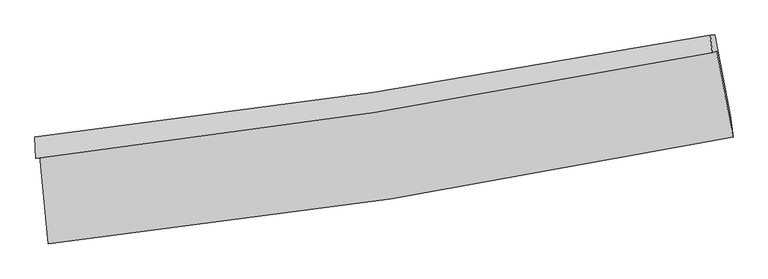
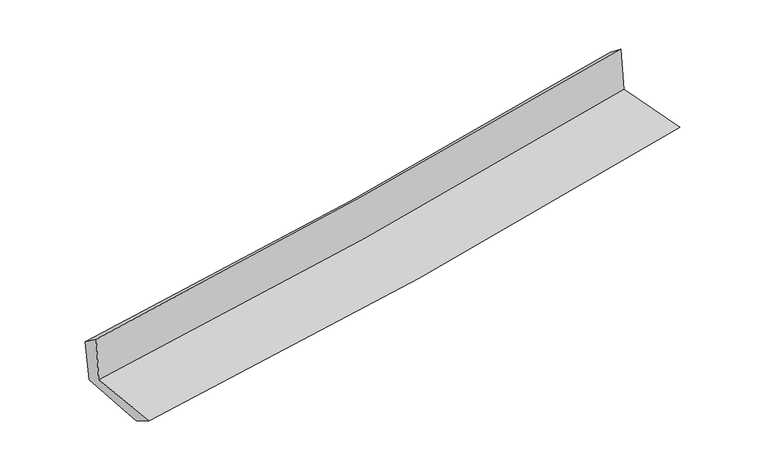
"""IFC4 building model written with IfcOpenShell, lengths in millimetres: proxy geometry."""

from ifc_helpers import new_model, si_unit, frame, origin, place, context, project, spatial, source, transform, mapped, element, save
from ifc_brep_helpers import plane_surface, spline_curve, spline_surface, advanced_brep


def generic_models_8d4c7cd3(model_context):
    return source(origin(), model_context, "Body", "AdvancedBrep", [
        advanced_brep(
        [(-2573.377145, -1879.0304998, 1656.8497497), (-2509.2770756, -2544.945491, 1657.7884913), (2654.6352234, -1738.7759814, 2104.6675379), (2531.2520104, -1089.057875, 2107.727582), (-2606.0279027, -1898.9468247, 2061.125356), (2498.4944785, -1101.3818655, 2500.1614649), (-2611.0922232, -1739.9665513, 1941.1643022), (2482.5893082, -971.0326817, 2401.8246868), (-2579.414219, -1746.1994296, 1577.7368389), (2514.6247101, -966.7040555, 2034.4078386), (-2517.6734719, -2356.4029023, 1543.4744345), (2632.7095327, -1571.0743507, 1994.5096911)],
        [
            (0, 1),
            (1, 2, spline_curve(3, [(-2509.2770756, -2544.945491, 1657.7884913), (-1645.719523723, -2451.779065666, 1730.874963485), (-785.170536335, -2338.333769092, 1804.520487494), (936.177700479, -2069.908101206, 1953.471968142), (1796.93281271, -1914.630228056, 2028.786126344), (2654.6352234, -1738.7759814, 2104.6675379)], [4, 2, 4], [0.0, 8.526331599570346, 17.11497845601537])),
            (2, 3),
            (3, 0, spline_curve(3, [(2531.2520104, -1089.057875, 2107.727582), (1682.822191148, -1252.46995136, 2027.75760895), (831.662796353, -1400.189803213, 1950.070950055), (-869.919720956, -1663.28712647, 1799.811352207), (-1720.303377763, -1778.891482916, 1727.205400442), (-2573.377145, -1879.0304998, 1656.8497497)], [4, 2, 4], [0.0, 8.588646856445022, 17.11497845601537])),
            (4, 0),
            (3, 5),
            (5, 4, spline_curve(3, [(2498.4944785, -1101.3818655, 2500.1614649), (1649.668612267, -1268.859924227, 2432.69751124), (798.320877506, -1419.242675255, 2362.235104489), (-903.22304523, -1684.850490183, 2215.846381803), (-1753.382770905, -1800.322725411, 2139.963419165), (-2606.0279027, -1898.9468247, 2061.125356)], [4, 2, 4], [0.0, 8.538443234367103, 17.014935466166186])),
            (6, 4),
            (5, 7),
            (7, 6, spline_curve(3, [(2482.5893082, -971.0326817, 2401.8246868), (1635.798967672, -1131.026587616, 2320.567620889), (786.375285043, -1275.277557188, 2241.418598976), (-911.556632797, -1531.361228845, 2087.895616397), (-1760.026793891, -1643.421549248, 2013.491176961), (-2611.0922232, -1739.9665513, 1941.1643022)], [4, 2, 4], [0.0, 8.527636677561397, 16.993400759942404])),
            (8, 6),
            (7, 9),
            (9, 8, spline_curve(3, [(2514.6247101, -966.7040555, 2034.4078386), (1667.987633857, -1131.854521657, 1958.516486035), (818.610303661, -1279.560929991, 1882.375426403), (-879.442292229, -1539.140507725, 1730.148149336), (-1728.077938512, -1651.265890517, 1654.065542523), (-2579.414219, -1746.1994296, 1577.7368389)], [4, 2, 4], [0.0, 8.518222880230988, 16.97464146744939])),
            (10, 8),
            (9, 11),
            (11, 10, spline_curve(3, [(2632.7095327, -1571.0743507, 1994.5096911), (1775.722025898, -1736.627553038, 1923.008755566), (916.458730187, -1885.024240353, 1849.527983343), (-800.368508897, -2146.552368136, 1699.154272602), (-1657.8995482, -2259.931864518, 1622.28995937), (-2517.6734719, -2356.4029023, 1543.4744345)], [4, 2, 4], [0.0, 8.565659119126375, 17.06916976978839])),
            (1, 10),
            (11, 2),
        ],
        [
            spline_surface(3, 3, [[(-2573.377145, -1879.0304998, 1656.8497497), (-1720.303377714, -1778.891482869, 1727.205400491), (-869.919720903, -1663.287126482, 1799.811352326), (831.6627963, -1400.189803201, 1950.070949936), (1682.822191265, -1252.469951331, 2027.757608886), (2531.2520104, -1089.057875, 2107.727582)], [(-2552.010455196, -2101.002163524, 1657.162663571), (-1695.442093088, -2003.187343786, 1728.428588167), (-841.669992763, -1888.302673989, 1801.381064058), (866.501097696, -1623.429235891, 1951.204622669), (1720.859065108, -1473.190043565, 2028.100448049), (2572.379748082, -1305.630577128, 2106.707567323)], [(-2530.643765404, -2322.973827276, 1657.475577429), (-1670.580808474, -2227.483204731, 1729.651775832), (-813.420264554, -2113.318221508, 1802.950775779), (901.339399162, -1846.668668593, 1952.338295392), (1758.895938906, -1693.910135816, 2028.443287141), (2613.507485718, -1522.203279272, 2105.687552577)], [(-2509.2770756, -2544.945491, 1657.7884913), (-1645.719523847, -2451.779065648, 1730.874963509), (-785.170536415, -2338.333769015, 1804.520487511), (936.177700559, -2069.908101283, 1953.471968125), (1796.932812748, -1914.63022805, 2028.786126304), (2654.6352234, -1738.7759814, 2104.6675379)]], [4, 4], [4, 2, 4], [0.0, 2.2277291612980874], [0.0, 8.526331599570346, 17.11497845601537]),
            spline_surface(3, 3, [[(-2606.0279027, -1898.9468247, 2061.125356), (-1753.38277086, -1800.322725536, 2139.963419125), (-903.22304521, -1684.850490229, 2215.846381855), (798.320877485, -1419.242675208, 2362.235104436), (1649.66861218, -1268.859924105, 2432.697511323), (2498.4944785, -1101.3818655, 2500.1614649)], [(-2595.144316801, -1892.308049728, 1926.366820561), (-1742.35630648, -1793.178977975, 2002.377412908), (-892.12193709, -1677.662702299, 2077.168038687), (809.434850441, -1412.891717858, 2224.847052945), (1660.719805191, -1263.396599832, 2297.717543821), (2509.413655782, -1097.273868652, 2369.350170577)], [(-2584.260730899, -1885.669274772, 1791.608285139), (-1731.329842095, -1786.03523043, 1864.791406708), (-881.020829023, -1670.474914413, 1938.489695494), (820.548823344, -1406.540760552, 2087.459001427), (1671.770998255, -1257.933275604, 2162.737576389), (2520.332833118, -1093.165871848, 2238.538876323)], [(-2573.377145, -1879.0304998, 1656.8497497), (-1720.303377714, -1778.891482869, 1727.205400491), (-869.919720903, -1663.287126482, 1799.811352326), (831.6627963, -1400.189803201, 1950.070949936), (1682.822191265, -1252.469951331, 2027.757608886), (2531.2520104, -1089.057875, 2107.727582)]], [4, 4], [4, 2, 4], [0.0, 1.3645654812317334], [0.0, 8.476492231799083, 17.014935466166186]),
            spline_surface(3, 3, [[(-2611.0922232, -1739.9665513, 1941.1643022), (-1760.026793829, -1643.42154914, 2013.491176844), (-911.55663277, -1531.361228847, 2087.895616426), (786.375285016, -1275.277557186, 2241.418598948), (1635.798967798, -1131.026587609, 2320.567620896), (2482.5893082, -971.0326817, 2401.8246868)], [(-2609.404116393, -1792.959975768, 1981.151320128), (-1757.812119533, -1695.721941274, 2055.648590932), (-908.778770256, -1582.524315966, 2130.545871572), (790.357149166, -1323.265929852, 2281.690767447), (1640.422182614, -1176.971033113, 2357.94425104), (2487.891031655, -1014.482409638, 2434.603612834)], [(-2607.716009507, -1845.953400232, 2021.138338072), (-1755.597445156, -1748.022333403, 2097.806005037), (-906.000907725, -1633.68740311, 2173.196126709), (794.339013335, -1371.254302543, 2321.962935937), (1645.045397364, -1222.915478601, 2395.32088118), (2493.192755045, -1057.932137562, 2467.382538866)], [(-2606.0279027, -1898.9468247, 2061.125356), (-1753.38277086, -1800.322725536, 2139.963419125), (-903.22304521, -1684.850490229, 2215.846381855), (798.320877485, -1419.242675208, 2362.235104436), (1649.66861218, -1268.859924105, 2432.697511323), (2498.4944785, -1101.3818655, 2500.1614649)]], [4, 4], [4, 2, 4], [0.0, 0.6368320929633898], [0.0, 8.465764082381007, 16.993400759942404]),
            spline_surface(3, 3, [[(-2579.414219, -1746.1994296, 1577.7368389), (-1728.077938643, -1651.265890643, 1654.06554244), (-879.442292352, -1539.140507673, 1730.148149395), (818.610303784, -1279.560930043, 1882.375426343), (1667.98763388, -1131.854521687, 1958.516485934), (2514.6247101, -966.7040555, 2034.4078386)], [(-2589.973553722, -1744.121803493, 1698.879326686), (-1738.727557027, -1648.651110135, 1773.874087261), (-890.14707248, -1536.547414752, 1849.397305061), (807.865297539, -1278.133139112, 2002.056483867), (1657.258078521, -1131.578543676, 2079.200197598), (2503.946242801, -968.146930915, 2156.880121343)], [(-2600.532888478, -1742.044177407, 1820.021814414), (-1749.377175445, -1646.036329648, 1893.682632023), (-900.851852642, -1533.954321768, 1968.64646076), (797.12029126, -1276.705348117, 2121.737541424), (1646.528523158, -1131.30256562, 2199.883909232), (2493.267775499, -969.589806285, 2279.352404057)], [(-2611.0922232, -1739.9665513, 1941.1643022), (-1760.026793829, -1643.42154914, 2013.491176844), (-911.55663277, -1531.361228847, 2087.895616426), (786.375285016, -1275.277557186, 2241.418598948), (1635.798967798, -1131.026587609, 2320.567620896), (2482.5893082, -971.0326817, 2401.8246868)]], [4, 4], [4, 2, 4], [0.0, 1.180747405202026], [0.0, 8.456418587218403, 16.97464146744939]),
            spline_surface(3, 3, [[(-2517.6734719, -2356.4029023, 1543.4744345), (-1657.899548172, -2259.93186438, 1622.289959256), (-800.368508958, -2146.552368004, 1699.154272536), (916.458730249, -1885.024240486, 1849.527983409), (1775.722025907, -1736.627552967, 1923.008755663), (2632.7095327, -1571.0743507, 1994.5096911)], [(-2538.253720926, -2153.001744749, 1554.895235943), (-1681.292344989, -2057.043206484, 1632.881820293), (-826.726436755, -1944.081747873, 1709.485564811), (883.842588095, -1683.203136984, 1860.477131043), (1739.810561897, -1535.036542522, 1934.844665741), (2593.347925165, -1369.617585615, 2007.809073587)], [(-2558.833969974, -1949.600587151, 1566.316037457), (-1704.685141826, -1854.15454854, 1643.473681403), (-853.084364555, -1741.611127804, 1719.81685712), (851.226445938, -1481.382033545, 1871.42627871), (1703.89909789, -1333.445532132, 1946.680575857), (2553.986317635, -1168.160820585, 2021.108456113)], [(-2579.414219, -1746.1994296, 1577.7368389), (-1728.077938643, -1651.265890643, 1654.06554244), (-879.442292352, -1539.140507673, 1730.148149395), (818.610303784, -1279.560930043, 1882.375426343), (1667.98763388, -1131.854521687, 1958.516485934), (2514.6247101, -966.7040555, 2034.4078386)]], [4, 4], [4, 2, 4], [0.0, 2.0134169530663315], [0.0, 8.503510650662017, 17.06916976978839]),
            spline_surface(3, 3, [[(-2509.2770756, -2544.945491, 1657.7884913), (-1645.719523847, -2451.779065648, 1730.874963509), (-785.170536415, -2338.333769015, 1804.520487511), (936.177700559, -2069.908101283, 1953.471968125), (1796.932812748, -1914.63022805, 2028.786126304), (2654.6352234, -1738.7759814, 2104.6675379)], [(-2512.075874361, -2482.097961438, 1619.683805712), (-1649.77953195, -2387.829998564, 1694.679962103), (-790.236527264, -2274.406635371, 1769.398415859), (929.604710454, -2008.280147711, 1918.823973226), (1789.862550449, -1855.296003042, 1993.527002758), (2647.326659815, -1682.875437853, 2067.948255635)], [(-2514.874673139, -2419.250431862, 1581.579120088), (-1653.839540069, -2323.880931465, 1658.484960662), (-795.302518109, -2210.479501648, 1734.276344188), (923.031720354, -1946.652194058, 1884.175978308), (1782.792288206, -1795.961777976, 1958.267879209), (2640.018096285, -1626.974894247, 2031.228973365)], [(-2517.6734719, -2356.4029023, 1543.4744345), (-1657.899548172, -2259.93186438, 1622.289959256), (-800.368508958, -2146.552368004, 1699.154272536), (916.458730249, -1885.024240486, 1849.527983409), (1775.722025907, -1736.627552967, 1923.008755663), (2632.7095327, -1571.0743507, 1994.5096911)]], [4, 4], [4, 2, 4], [0.0, 0.7091220238337083], [0.0, 8.562727491518928, 17.188036241689435]),
            plane_surface(frame((2552.3842106, -1239.671135, 2190.5498002), z_axis=(0.9787473552982758, 0.1854545361210792, 0.08752273721008683), x_axis=(-0.08685536200416913, -0.01173590394224205, 0.9961518030148735))),
            plane_surface(frame((-2566.1436729, -2027.5819498, 1739.6898621), z_axis=(-0.9918013453482608, -0.09558900331172111, -0.08481057605777478), x_axis=(-0.09581566495719822, 0.9953981059544277, -0.0014032145765667514))),
        ],
        [
            (0, [[1, 2, 3, 4]]),
            (1, [[5, -4, 6, 7]]),
            (2, [[8, -7, 9, 10]]),
            (3, [[11, -10, 12, 13]]),
            (4, [[14, -13, 15, 16]]),
            (5, [[17, -16, 18, -2]]),
            (6, [[-12, -9, -6, -3, -18, -15]]),
            (7, [[-1, -5, -8, -11, -14, -17]]),
        ],
    ),
    ])


if __name__ == "__main__":
    model = new_model("IFC4")
    model_context = context("Model", 3, world=origin())
    ifc_project = project(units=[si_unit("LENGTHUNIT", "METRE", prefix="MILLI")], contexts=[model_context])
    site = spatial("IfcSite", under=ifc_project)
    building = spatial("IfcBuilding", under=site)
    placement = place(None, origin())
    generic_models_shape = generic_models_8d4c7cd3(model_context)
    element("IfcBuildingElementProxy", 1, Name="Generic Models", at=placement, inside=building, context=model_context, shape_type="MappedRepresentation", body=[
        mapped(generic_models_shape, transform((0.0, 0.0, 0.0), x_axis=(1.0, 0.0, 0.0), y_axis=(0.0, 1.0, 0.0), z_axis=(0.0, 0.0, 1.0))),
    ])
    save(model, "model.ifc")
